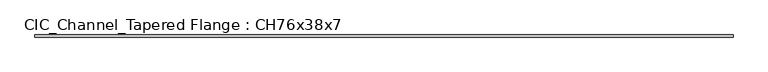
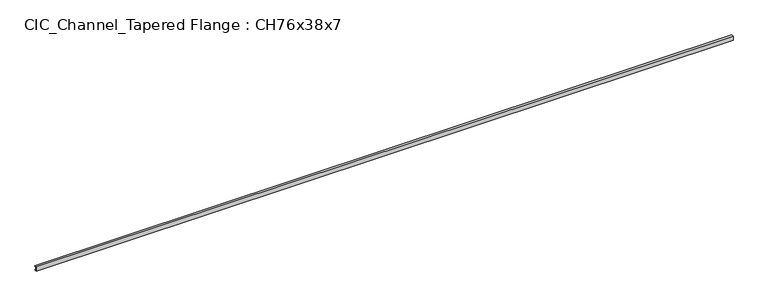
"""IFC4 building model written with IfcOpenShell, lengths in millimetres: beam geometry, CIC_Channel_Tapered Flange : CH76x38x7."""

from ifc_helpers import new_model, si_unit, point, frame, frame_2d, origin, place, context, project, spatial, polyline, circle_curve, trimmed, segment, composite_curve, outline, extrude, source, transform, mapped, element, save


def cic_channel_tapered_flange_ch76x38x7_39ea873e(model_context):
    return source(origin(), model_context, "Body", "SweptSolid", [
        extrude(outline(composite_curve([segment(polyline([(-11.9, 38.1), (26.2, 38.1)]), True, "CONTINUOUS"), segment(trimmed(circle_curve(frame_2d((19.4, 38.1)), 6.8), [point((26.2, 38.1))], [point((19.4, 31.3))], False, "CARTESIAN"), True, "CONTINUOUS"), segment(polyline([(19.4, 31.3), (-6.8, 27.1503277), (-6.8, -27.1503277), (19.4, -31.3)]), True, "CONTINUOUS"), segment(trimmed(circle_curve(frame_2d((19.4, -38.1)), 6.8), [point((19.4, -31.3))], [point((26.2, -38.1))], False, "CARTESIAN"), True, "CONTINUOUS"), segment(polyline([(26.2, -38.1), (-11.9, -38.1), (-11.9, 38.1)]), True, "CONTINUOUS")], self_intersect=False)), frame((-6011.8, 0.0, 0.0), z_axis=(1.0, 0.0, 0.0), x_axis=(0.0, 1.0, 0.0)), (0.0, 0.0, 1.0), 12344.180792),
    ])


if __name__ == "__main__":
    model = new_model("IFC4")
    model_context = context("Model", 3, world=origin())
    ifc_project = project(units=[si_unit("LENGTHUNIT", "METRE", prefix="MILLI")], contexts=[model_context])
    site = spatial("IfcSite", under=ifc_project)
    building = spatial("IfcBuilding", under=site)
    placement = place(None, origin())
    cic_channel_tapered_flange_ch76x38x7_shape = cic_channel_tapered_flange_ch76x38x7_39ea873e(model_context)
    element("IfcBeam", 1, ObjectType="CIC_Channel_Tapered Flange : CH76x38x7", at=placement, inside=building, context=model_context, shape_type="MappedRepresentation", body=[
        mapped(cic_channel_tapered_flange_ch76x38x7_shape, transform((0.0, 0.0, 0.0), x_axis=(1.0, 0.0, 0.0), y_axis=(0.0, 1.0, 0.0), z_axis=(0.0, 0.0, 1.0))),
    ])
    save(model, "model.ifc")
